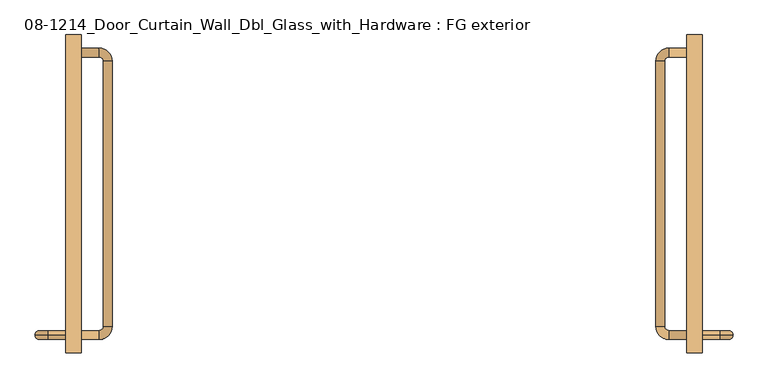
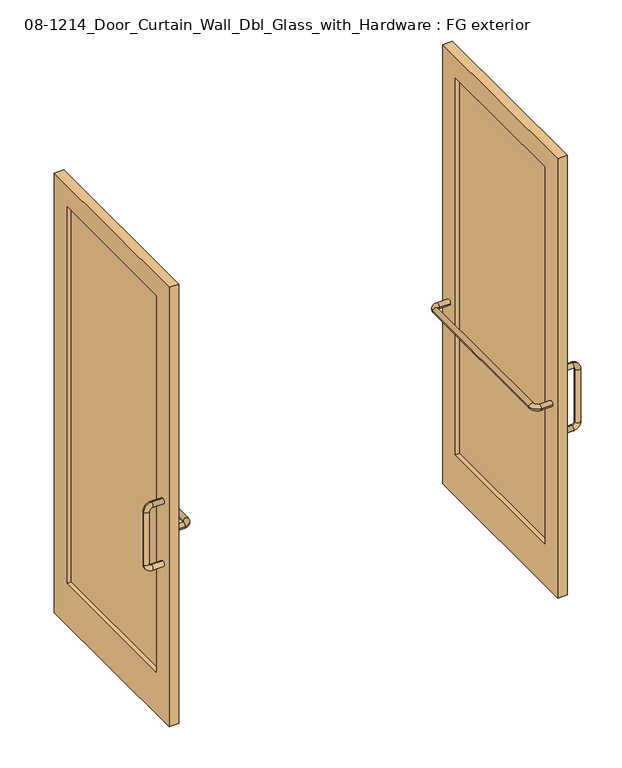
"""IFC4 building model written with IfcOpenShell, lengths in millimetres: door geometry, 08-1214_Door_Curtain_Wall_Dbl_Glass_with_Hardware : FG exterior."""

from ifc_helpers import new_model, si_unit, point, frame, origin, place, context, project, spatial, polyline, circle_curve, ellipse_curve, trimmed, outline, extrude, source, transform, mapped, element, save
from ifc_brep_helpers import plane_surface, cylinder_surface, revolved_surface, advanced_brep


def door_08_1214_door_curtain_wall_dbl_glass_with_hardware_fg_bb66773b(model_context):
    return source(origin(), model_context, "Body", "SolidModel", [
        advanced_brep(
        [(914.4, -927.1, 749.3), (914.4, -927.1, 774.7), (965.2, -927.1, 774.7), (965.2, -927.1, 749.3), (977.9, -927.1, 787.4), (977.9, -927.1, 1041.4), (1003.3, -927.1, 1041.4), (1003.3, -927.1, 787.4), (914.4, -927.1, 1079.5), (914.4, -927.1, 1054.1), (965.2, -927.1, 1054.1), (965.2, -927.1, 1079.5)],
        [
            (0, 1, circle_curve(frame((914.4, -927.1, 762.0), z_axis=(-1.0, 0.0, 0.0), x_axis=(0.0, 0.0, 1.0)), 12.7)),
            (1, 0, circle_curve(frame((914.4, -927.1, 762.0), z_axis=(-1.0, 0.0, 0.0), x_axis=(0.0, 0.0, 1.0)), 12.7)),
            (1, 2),
            (2, 3, circle_curve(frame((965.2, -927.1, 762.0), z_axis=(-1.0, 0.0, 0.0), x_axis=(0.0, 0.0, 1.0)), 12.7)),
            (3, 0),
            (3, 2, circle_curve(frame((965.2, -927.1, 762.0), z_axis=(-1.0, 0.0, 0.0), x_axis=(0.0, 0.0, 1.0)), 12.7)),
            (4, 5),
            (5, 6, circle_curve(frame((990.6, -927.1, 1041.4), z_axis=(0.0, 0.0, -1.0), x_axis=(-1.0, 0.0, 0.0)), 12.7)),
            (6, 7),
            (7, 4, circle_curve(frame((990.6, -927.1, 787.4), z_axis=(0.0, 0.0, 1.0), x_axis=(-1.0, 0.0, 0.0)), 12.7)),
            (6, 5, circle_curve(frame((990.6, -927.1, 1041.4), z_axis=(0.0, 0.0, -1.0), x_axis=(-1.0, 0.0, 0.0)), 12.7)),
            (4, 7, circle_curve(frame((990.6, -927.1, 787.4), z_axis=(0.0, 0.0, 1.0), x_axis=(-1.0, 0.0, 0.0)), 12.7)),
            (8, 9, circle_curve(frame((914.4, -927.1, 1066.8), z_axis=(-1.0, 0.0, 0.0), x_axis=(0.0, 0.0, -1.0)), 12.7)),
            (9, 8, circle_curve(frame((914.4, -927.1, 1066.8), z_axis=(-1.0, 0.0, 0.0), x_axis=(0.0, 0.0, -1.0)), 12.7)),
            (10, 9),
            (8, 11),
            (11, 10, circle_curve(frame((965.2, -927.1, 1066.8), z_axis=(-1.0, 0.0, 0.0), x_axis=(0.0, 0.0, -1.0)), 12.7)),
            (10, 11, circle_curve(frame((965.2, -927.1, 1066.8), z_axis=(-1.0, 0.0, 0.0), x_axis=(0.0, 0.0, -1.0)), 12.7)),
            (7, 3, circle_curve(frame((965.2, -927.1, 787.4), z_axis=(0.0, 1.0, 0.0), x_axis=(0.0, 0.0, -1.0)), 38.1)),
            (2, 4, circle_curve(frame((965.2, -927.1, 787.4), z_axis=(0.0, -1.0, 0.0), x_axis=(0.0, 0.0, -1.0)), 12.7)),
            (11, 6, circle_curve(frame((965.2, -927.1, 1041.4), z_axis=(0.0, 1.0, 0.0), x_axis=(1.0, 0.0, 0.0)), 38.1)),
            (5, 10, circle_curve(frame((965.2, -927.1, 1041.4), z_axis=(0.0, -1.0, 0.0), x_axis=(1.0, 0.0, 0.0)), 12.7)),
        ],
        [
            plane_surface(frame((914.4, -927.1, 762.0), z_axis=(-1.0, 0.0, 0.0), x_axis=(0.0, 1.0, 0.0))),
            cylinder_surface(frame((914.4, -927.1, 762.0), z_axis=(-1.0, 0.0, 0.0), x_axis=(0.0, 0.0, 1.0)), 12.7),
            cylinder_surface(frame((990.6, -927.1, 787.4), z_axis=(0.0, 0.0, -1.0), x_axis=(-1.0, 0.0, 0.0)), 12.7),
            plane_surface(frame((914.4, -927.1, 1066.8), z_axis=(-1.0, 0.0, 0.0), x_axis=(0.0, 1.0, 0.0))),
            cylinder_surface(frame((965.2, -927.1, 1066.8), z_axis=(1.0, 0.0, 0.0), x_axis=(0.0, 0.0, -1.0)), 12.7),
            revolved_surface(trimmed(ellipse_curve(frame((965.2, -927.1, 762.0), z_axis=(1.0, 0.0, 0.0), x_axis=(0.0, 0.0, 1.0)), 12.7, 12.7), [point((965.2, -927.1, 749.3))], [point((965.2, -927.1, 774.7))], True, "CARTESIAN"), (965.2, -927.1, 787.4), (0.0, 1.0, 0.0)),
            revolved_surface(trimmed(ellipse_curve(frame((965.2, -927.1, 762.0), z_axis=(1.0, 0.0, 0.0), x_axis=(0.0, 0.0, 1.0)), 12.7, 12.7), [point((965.2, -927.1, 774.7))], [point((965.2, -927.1, 749.3))], True, "CARTESIAN"), (965.2, -927.1, 787.4), (0.0, 1.0, 0.0)),
            revolved_surface(trimmed(ellipse_curve(frame((990.6, -927.1, 1041.4), z_axis=(0.0, 0.0, 1.0), x_axis=(-1.0, 0.0, 0.0)), 12.7, 12.7), [point((1003.3, -927.1, 1041.4))], [point((977.9, -927.1, 1041.4))], True, "CARTESIAN"), (965.2, -927.1, 1041.4), (0.0, 1.0, 0.0)),
            revolved_surface(trimmed(ellipse_curve(frame((990.6, -927.1, 1041.4), z_axis=(0.0, 0.0, 1.0), x_axis=(-1.0, 0.0, 0.0)), 12.7, 12.7), [point((977.9, -927.1, 1041.4))], [point((1003.3, -927.1, 1041.4))], True, "CARTESIAN"), (965.2, -927.1, 1041.4), (0.0, 1.0, 0.0)),
        ],
        [
            (0, [[1, 2]]),
            (1, [[3, 4, 5, -2]]),
            (1, [[-5, 6, -3, -1]]),
            (2, [[7, 8, 9, 10]]),
            (2, [[-9, 11, -7, 12]]),
            (3, [[13, 14]]),
            (4, [[15, -13, 16, 17]]),
            (4, [[-16, -14, -15, 18]]),
            (5, [[-10, 19, -4, 20]]),
            (6, [[-12, -20, -6, -19]]),
            (7, [[-17, 21, -8, 22]]),
            (8, [[-18, -22, -11, -21]]),
        ],
    ),
        advanced_brep(
        [(869.95, -101.6, 914.4), (869.95, -127.0, 914.4), (819.15, -127.0, 914.4), (819.15, -101.6, 914.4), (806.45, -139.7, 914.4), (806.45, -901.7, 914.4), (781.05, -901.7, 914.4), (781.05, -139.7, 914.4), (869.95, -939.8, 914.4), (869.95, -914.4, 914.4), (819.15, -914.4, 914.4), (819.15, -939.8, 914.4)],
        [
            (0, 1, circle_curve(frame((869.95, -114.3, 914.4), z_axis=(1.0, 0.0, 0.0), x_axis=(0.0, -1.0, 0.0)), 12.7)),
            (1, 0, circle_curve(frame((869.95, -114.3, 914.4), z_axis=(1.0, 0.0, 0.0), x_axis=(0.0, -1.0, 0.0)), 12.7)),
            (1, 2),
            (2, 3, circle_curve(frame((819.15, -114.3, 914.4), z_axis=(1.0, 0.0, 0.0), x_axis=(0.0, -1.0, 0.0)), 12.7)),
            (3, 0),
            (3, 2, circle_curve(frame((819.15, -114.3, 914.4), z_axis=(1.0, 0.0, 0.0), x_axis=(0.0, -1.0, 0.0)), 12.7)),
            (4, 5),
            (5, 6, circle_curve(frame((793.75, -901.7, 914.4), z_axis=(0.0, 1.0, 0.0), x_axis=(1.0, 0.0, 0.0)), 12.7)),
            (6, 7),
            (7, 4, circle_curve(frame((793.75, -139.7, 914.4), z_axis=(0.0, -1.0, 0.0), x_axis=(1.0, 0.0, 0.0)), 12.7)),
            (6, 5, circle_curve(frame((793.75, -901.7, 914.4), z_axis=(0.0, 1.0, 0.0), x_axis=(1.0, 0.0, 0.0)), 12.7)),
            (4, 7, circle_curve(frame((793.75, -139.7, 914.4), z_axis=(0.0, -1.0, 0.0), x_axis=(1.0, 0.0, 0.0)), 12.7)),
            (8, 9, circle_curve(frame((869.95, -927.1, 914.4), z_axis=(1.0, 0.0, 0.0), x_axis=(0.0, 1.0, 0.0)), 12.7)),
            (9, 8, circle_curve(frame((869.95, -927.1, 914.4), z_axis=(1.0, 0.0, 0.0), x_axis=(0.0, 1.0, 0.0)), 12.7)),
            (10, 9),
            (8, 11),
            (11, 10, circle_curve(frame((819.15, -927.1, 914.4), z_axis=(1.0, 0.0, 0.0), x_axis=(0.0, 1.0, 0.0)), 12.7)),
            (10, 11, circle_curve(frame((819.15, -927.1, 914.4), z_axis=(1.0, 0.0, 0.0), x_axis=(0.0, 1.0, 0.0)), 12.7)),
            (7, 3, circle_curve(frame((819.15, -139.7, 914.4), z_axis=(0.0, 0.0, -1.0), x_axis=(0.0, 1.0, 0.0)), 38.1)),
            (2, 4, circle_curve(frame((819.15, -139.7, 914.4), z_axis=(0.0, 0.0, 1.0), x_axis=(0.0, 1.0, 0.0)), 12.7)),
            (11, 6, circle_curve(frame((819.15, -901.7, 914.4), z_axis=(0.0, 0.0, -1.0), x_axis=(-1.0, 0.0, 0.0)), 38.1)),
            (5, 10, circle_curve(frame((819.15, -901.7, 914.4), z_axis=(0.0, 0.0, 1.0), x_axis=(-1.0, 0.0, 0.0)), 12.7)),
        ],
        [
            plane_surface(frame((869.95, -114.3, 914.4), z_axis=(1.0, 0.0, 0.0), x_axis=(0.0, 0.0, -1.0))),
            cylinder_surface(frame((869.95, -114.3, 914.4), z_axis=(1.0, 0.0, 0.0), x_axis=(0.0, -1.0, 0.0)), 12.7),
            cylinder_surface(frame((793.75, -139.7, 914.4), z_axis=(0.0, 1.0, 0.0), x_axis=(1.0, 0.0, 0.0)), 12.7),
            plane_surface(frame((869.95, -927.1, 914.4), z_axis=(1.0, 0.0, 0.0), x_axis=(0.0, 0.0, -1.0))),
            cylinder_surface(frame((819.15, -927.1, 914.4), z_axis=(-1.0, 0.0, 0.0), x_axis=(0.0, 1.0, 0.0)), 12.7),
            revolved_surface(trimmed(ellipse_curve(frame((819.15, -114.3, 914.4), z_axis=(-1.0, 0.0, 0.0), x_axis=(0.0, -1.0, 0.0)), 12.7, 12.7), [point((819.15, -101.6, 914.4))], [point((819.15, -127.0, 914.4))], True, "CARTESIAN"), (819.15, -139.7, 914.4), (0.0, 0.0, -1.0)),
            revolved_surface(trimmed(ellipse_curve(frame((819.15, -114.3, 914.4), z_axis=(-1.0, 0.0, 0.0), x_axis=(0.0, -1.0, 0.0)), 12.7, 12.7), [point((819.15, -127.0, 914.4))], [point((819.15, -101.6, 914.4))], True, "CARTESIAN"), (819.15, -139.7, 914.4), (0.0, 0.0, -1.0)),
            revolved_surface(trimmed(ellipse_curve(frame((793.75, -901.7, 914.4), z_axis=(0.0, -1.0, 0.0), x_axis=(1.0, 0.0, 0.0)), 12.7, 12.7), [point((781.05, -901.7, 914.4))], [point((806.45, -901.7, 914.4))], True, "CARTESIAN"), (819.15, -901.7, 914.4), (0.0, 0.0, -1.0)),
            revolved_surface(trimmed(ellipse_curve(frame((793.75, -901.7, 914.4), z_axis=(0.0, -1.0, 0.0), x_axis=(1.0, 0.0, 0.0)), 12.7, 12.7), [point((806.45, -901.7, 914.4))], [point((781.05, -901.7, 914.4))], True, "CARTESIAN"), (819.15, -901.7, 914.4), (0.0, 0.0, -1.0)),
        ],
        [
            (0, [[1, 2]]),
            (1, [[3, 4, 5, -2]]),
            (1, [[-5, 6, -3, -1]]),
            (2, [[7, 8, 9, 10]]),
            (2, [[-9, 11, -7, 12]]),
            (3, [[13, 14]]),
            (4, [[15, -13, 16, 17]]),
            (4, [[-16, -14, -15, 18]]),
            (5, [[-10, 19, -4, 20]]),
            (6, [[-12, -20, -6, -19]]),
            (7, [[-17, 21, -8, 22]]),
            (8, [[-18, -22, -11, -21]]),
        ],
    ),
        extrude(outline(polyline([(895.35, -876.3), (889.0, -876.3), (889.0, -165.1), (895.35, -165.1), (895.35, -876.3)])), frame((0.0, 0.0, 203.2), z_axis=(0.0, 0.0, 1.0), x_axis=(1.0, 0.0, 0.0)), (0.0, 0.0, 1.0), 1828.8),
        extrude(outline(polyline([(-63.5, 2133.6), (-63.5, 0.0), (-977.9, 0.0), (-977.9, 2133.6), (-63.5, 2133.6)]), holes=[polyline([(-165.1, 2032.0), (-876.3, 2032.0), (-876.3, 203.2), (-165.1, 203.2), (-165.1, 2032.0)])]), frame((869.95, 0.0, 0.0), z_axis=(1.0, 0.0, 0.0), x_axis=(0.0, 1.0, 0.0)), (0.0, 0.0, 1.0), 44.45),
        advanced_brep(
        [(-914.4, -927.1, 749.3), (-914.4, -927.1, 774.7), (-965.2, -927.1, 749.3), (-965.2, -927.1, 774.7), (-977.9, -927.1, 787.4), (-1003.3, -927.1, 787.4), (-1003.3, -927.1, 1041.4), (-977.9, -927.1, 1041.4), (-914.4, -927.1, 1079.5), (-914.4, -927.1, 1054.1), (-965.2, -927.1, 1054.1), (-965.2, -927.1, 1079.5)],
        [
            (0, 1, circle_curve(frame((-914.4, -927.1, 762.0), z_axis=(1.0, 0.0, 0.0), x_axis=(0.0, 0.0, 1.0)), 12.7)),
            (1, 0, circle_curve(frame((-914.4, -927.1, 762.0), z_axis=(1.0, 0.0, 0.0), x_axis=(0.0, 0.0, 1.0)), 12.7)),
            (0, 2),
            (2, 3, circle_curve(frame((-965.2, -927.1, 762.0), z_axis=(1.0, 0.0, 0.0), x_axis=(0.0, 0.0, 1.0)), 12.7)),
            (3, 1),
            (3, 2, circle_curve(frame((-965.2, -927.1, 762.0), z_axis=(1.0, 0.0, 0.0), x_axis=(0.0, 0.0, 1.0)), 12.7)),
            (4, 5, circle_curve(frame((-990.6, -927.1, 787.4), z_axis=(0.0, 0.0, 1.0), x_axis=(1.0, 0.0, 0.0)), 12.7)),
            (5, 6),
            (6, 7, circle_curve(frame((-990.6, -927.1, 1041.4), z_axis=(0.0, 0.0, -1.0), x_axis=(1.0, 0.0, 0.0)), 12.7)),
            (7, 4),
            (5, 4, circle_curve(frame((-990.6, -927.1, 787.4), z_axis=(0.0, 0.0, 1.0), x_axis=(1.0, 0.0, 0.0)), 12.7)),
            (7, 6, circle_curve(frame((-990.6, -927.1, 1041.4), z_axis=(0.0, 0.0, -1.0), x_axis=(1.0, 0.0, 0.0)), 12.7)),
            (8, 9, circle_curve(frame((-914.4, -927.1, 1066.8), z_axis=(1.0, 0.0, 0.0), x_axis=(0.0, 0.0, -1.0)), 12.7)),
            (9, 8, circle_curve(frame((-914.4, -927.1, 1066.8), z_axis=(1.0, 0.0, 0.0), x_axis=(0.0, 0.0, -1.0)), 12.7)),
            (10, 11, circle_curve(frame((-965.2, -927.1, 1066.8), z_axis=(1.0, 0.0, 0.0), x_axis=(0.0, 0.0, -1.0)), 12.7)),
            (11, 8),
            (9, 10),
            (11, 10, circle_curve(frame((-965.2, -927.1, 1066.8), z_axis=(1.0, 0.0, 0.0), x_axis=(0.0, 0.0, -1.0)), 12.7)),
            (4, 3, circle_curve(frame((-965.2, -927.1, 787.4), z_axis=(0.0, -1.0, 0.0), x_axis=(0.0, 0.0, -1.0)), 12.7)),
            (2, 5, circle_curve(frame((-965.2, -927.1, 787.4), z_axis=(0.0, 1.0, 0.0), x_axis=(0.0, 0.0, -1.0)), 38.1)),
            (10, 7, circle_curve(frame((-965.2, -927.1, 1041.4), z_axis=(0.0, -1.0, 0.0), x_axis=(-1.0, 0.0, 0.0)), 12.7)),
            (6, 11, circle_curve(frame((-965.2, -927.1, 1041.4), z_axis=(0.0, 1.0, 0.0), x_axis=(-1.0, 0.0, 0.0)), 38.1)),
        ],
        [
            plane_surface(frame((-914.4, -927.1, 762.0), z_axis=(1.0, 0.0, 0.0), x_axis=(0.0, 1.0, 0.0))),
            cylinder_surface(frame((-914.4, -927.1, 762.0), z_axis=(1.0, 0.0, 0.0), x_axis=(0.0, 0.0, 1.0)), 12.7),
            cylinder_surface(frame((-990.6, -927.1, 787.4), z_axis=(0.0, 0.0, -1.0), x_axis=(1.0, 0.0, 0.0)), 12.7),
            plane_surface(frame((-914.4, -927.1, 1066.8), z_axis=(1.0, 0.0, 0.0), x_axis=(0.0, 1.0, 0.0))),
            cylinder_surface(frame((-965.2, -927.1, 1066.8), z_axis=(-1.0, 0.0, 0.0), x_axis=(0.0, 0.0, -1.0)), 12.7),
            revolved_surface(trimmed(ellipse_curve(frame((-965.2, -927.1, 762.0), z_axis=(1.0, 0.0, 0.0), x_axis=(0.0, 0.0, 1.0)), 12.7, 12.7), [point((-965.2, -927.1, 749.3))], [point((-965.2, -927.1, 774.7))], True, "CARTESIAN"), (-965.2, -927.1, 787.4), (0.0, 1.0, 0.0)),
            revolved_surface(trimmed(ellipse_curve(frame((-965.2, -927.1, 762.0), z_axis=(1.0, 0.0, 0.0), x_axis=(0.0, 0.0, 1.0)), 12.7, 12.7), [point((-965.2, -927.1, 774.7))], [point((-965.2, -927.1, 749.3))], True, "CARTESIAN"), (-965.2, -927.1, 787.4), (0.0, 1.0, 0.0)),
            revolved_surface(trimmed(ellipse_curve(frame((-990.6, -927.1, 1041.4), z_axis=(0.0, 0.0, -1.0), x_axis=(1.0, 0.0, 0.0)), 12.7, 12.7), [point((-1003.3, -927.1, 1041.4))], [point((-977.9, -927.1, 1041.4))], True, "CARTESIAN"), (-965.2, -927.1, 1041.4), (0.0, 1.0, 0.0)),
            revolved_surface(trimmed(ellipse_curve(frame((-990.6, -927.1, 1041.4), z_axis=(0.0, 0.0, -1.0), x_axis=(1.0, 0.0, 0.0)), 12.7, 12.7), [point((-977.9, -927.1, 1041.4))], [point((-1003.3, -927.1, 1041.4))], True, "CARTESIAN"), (-965.2, -927.1, 1041.4), (0.0, 1.0, 0.0)),
        ],
        [
            (0, [[1, 2]]),
            (1, [[-1, 3, 4, 5]]),
            (1, [[-2, -5, 6, -3]]),
            (2, [[7, 8, 9, 10]]),
            (2, [[11, -10, 12, -8]]),
            (3, [[13, 14]]),
            (4, [[15, 16, -14, 17]]),
            (4, [[18, -17, -13, -16]]),
            (5, [[19, -4, 20, -7]]),
            (6, [[-20, -6, -19, -11]]),
            (7, [[21, -9, 22, -15]]),
            (8, [[-22, -12, -21, -18]]),
        ],
    ),
        advanced_brep(
        [(-869.95, -101.6, 914.4), (-869.95, -127.0, 914.4), (-819.15, -101.6, 914.4), (-819.15, -127.0, 914.4), (-806.45, -139.7, 914.4), (-781.05, -139.7, 914.4), (-781.05, -901.7, 914.4), (-806.45, -901.7, 914.4), (-869.95, -939.8, 914.4), (-869.95, -914.4, 914.4), (-819.15, -914.4, 914.4), (-819.15, -939.8, 914.4)],
        [
            (0, 1, circle_curve(frame((-869.95, -114.3, 914.4), z_axis=(-1.0, 0.0, 0.0), x_axis=(0.0, -1.0, 0.0)), 12.7)),
            (1, 0, circle_curve(frame((-869.95, -114.3, 914.4), z_axis=(-1.0, 0.0, 0.0), x_axis=(0.0, -1.0, 0.0)), 12.7)),
            (0, 2),
            (2, 3, circle_curve(frame((-819.15, -114.3, 914.4), z_axis=(-1.0, 0.0, 0.0), x_axis=(0.0, -1.0, 0.0)), 12.7)),
            (3, 1),
            (3, 2, circle_curve(frame((-819.15, -114.3, 914.4), z_axis=(-1.0, 0.0, 0.0), x_axis=(0.0, -1.0, 0.0)), 12.7)),
            (4, 5, circle_curve(frame((-793.75, -139.7, 914.4), z_axis=(0.0, -1.0, 0.0), x_axis=(-1.0, 0.0, 0.0)), 12.7)),
            (5, 6),
            (6, 7, circle_curve(frame((-793.75, -901.7, 914.4), z_axis=(0.0, 1.0, 0.0), x_axis=(-1.0, 0.0, 0.0)), 12.7)),
            (7, 4),
            (5, 4, circle_curve(frame((-793.75, -139.7, 914.4), z_axis=(0.0, -1.0, 0.0), x_axis=(-1.0, 0.0, 0.0)), 12.7)),
            (7, 6, circle_curve(frame((-793.75, -901.7, 914.4), z_axis=(0.0, 1.0, 0.0), x_axis=(-1.0, 0.0, 0.0)), 12.7)),
            (8, 9, circle_curve(frame((-869.95, -927.1, 914.4), z_axis=(-1.0, 0.0, 0.0), x_axis=(0.0, 1.0, 0.0)), 12.7)),
            (9, 8, circle_curve(frame((-869.95, -927.1, 914.4), z_axis=(-1.0, 0.0, 0.0), x_axis=(0.0, 1.0, 0.0)), 12.7)),
            (10, 11, circle_curve(frame((-819.15, -927.1, 914.4), z_axis=(-1.0, 0.0, 0.0), x_axis=(0.0, 1.0, 0.0)), 12.7)),
            (11, 8),
            (9, 10),
            (11, 10, circle_curve(frame((-819.15, -927.1, 914.4), z_axis=(-1.0, 0.0, 0.0), x_axis=(0.0, 1.0, 0.0)), 12.7)),
            (4, 3, circle_curve(frame((-819.15, -139.7, 914.4), z_axis=(0.0, 0.0, 1.0), x_axis=(0.0, 1.0, 0.0)), 12.7)),
            (2, 5, circle_curve(frame((-819.15, -139.7, 914.4), z_axis=(0.0, 0.0, -1.0), x_axis=(0.0, 1.0, 0.0)), 38.1)),
            (10, 7, circle_curve(frame((-819.15, -901.7, 914.4), z_axis=(0.0, 0.0, 1.0), x_axis=(1.0, 0.0, 0.0)), 12.7)),
            (6, 11, circle_curve(frame((-819.15, -901.7, 914.4), z_axis=(0.0, 0.0, -1.0), x_axis=(1.0, 0.0, 0.0)), 38.1)),
        ],
        [
            plane_surface(frame((-869.95, -114.3, 914.4), z_axis=(-1.0, 0.0, 0.0), x_axis=(0.0, 0.0, -1.0))),
            cylinder_surface(frame((-869.95, -114.3, 914.4), z_axis=(-1.0, 0.0, 0.0), x_axis=(0.0, -1.0, 0.0)), 12.7),
            cylinder_surface(frame((-793.75, -139.7, 914.4), z_axis=(0.0, 1.0, 0.0), x_axis=(-1.0, 0.0, 0.0)), 12.7),
            plane_surface(frame((-869.95, -927.1, 914.4), z_axis=(-1.0, 0.0, 0.0), x_axis=(0.0, 0.0, -1.0))),
            cylinder_surface(frame((-819.15, -927.1, 914.4), z_axis=(1.0, 0.0, 0.0), x_axis=(0.0, 1.0, 0.0)), 12.7),
            revolved_surface(trimmed(ellipse_curve(frame((-819.15, -114.3, 914.4), z_axis=(-1.0, 0.0, 0.0), x_axis=(0.0, -1.0, 0.0)), 12.7, 12.7), [point((-819.15, -101.6, 914.4))], [point((-819.15, -127.0, 914.4))], True, "CARTESIAN"), (-819.15, -139.7, 914.4), (0.0, 0.0, -1.0)),
            revolved_surface(trimmed(ellipse_curve(frame((-819.15, -114.3, 914.4), z_axis=(-1.0, 0.0, 0.0), x_axis=(0.0, -1.0, 0.0)), 12.7, 12.7), [point((-819.15, -127.0, 914.4))], [point((-819.15, -101.6, 914.4))], True, "CARTESIAN"), (-819.15, -139.7, 914.4), (0.0, 0.0, -1.0)),
            revolved_surface(trimmed(ellipse_curve(frame((-793.75, -901.7, 914.4), z_axis=(0.0, 1.0, 0.0), x_axis=(-1.0, 0.0, 0.0)), 12.7, 12.7), [point((-781.05, -901.7, 914.4))], [point((-806.45, -901.7, 914.4))], True, "CARTESIAN"), (-819.15, -901.7, 914.4), (0.0, 0.0, -1.0)),
            revolved_surface(trimmed(ellipse_curve(frame((-793.75, -901.7, 914.4), z_axis=(0.0, 1.0, 0.0), x_axis=(-1.0, 0.0, 0.0)), 12.7, 12.7), [point((-806.45, -901.7, 914.4))], [point((-781.05, -901.7, 914.4))], True, "CARTESIAN"), (-819.15, -901.7, 914.4), (0.0, 0.0, -1.0)),
        ],
        [
            (0, [[1, 2]]),
            (1, [[-1, 3, 4, 5]]),
            (1, [[-2, -5, 6, -3]]),
            (2, [[7, 8, 9, 10]]),
            (2, [[11, -10, 12, -8]]),
            (3, [[13, 14]]),
            (4, [[15, 16, -14, 17]]),
            (4, [[18, -17, -13, -16]]),
            (5, [[19, -4, 20, -7]]),
            (6, [[-20, -6, -19, -11]]),
            (7, [[21, -9, 22, -15]]),
            (8, [[-22, -12, -21, -18]]),
        ],
    ),
        extrude(outline(polyline([(-895.35, -876.3), (-895.35, -165.1), (-889.0, -165.1), (-889.0, -876.3), (-895.35, -876.3)])), frame((0.0, 0.0, 203.2), z_axis=(0.0, 0.0, 1.0), x_axis=(1.0, 0.0, 0.0)), (0.0, 0.0, 1.0), 1828.8),
        extrude(outline(polyline([(-977.9, 2133.6), (-63.5, 2133.6), (-63.5, 0.0), (-977.9, 0.0), (-977.9, 2133.6)]), holes=[polyline([(-165.1, 203.2), (-165.1, 2032.0), (-876.3, 2032.0), (-876.3, 203.2), (-165.1, 203.2)])]), frame((-914.4, 0.0, 0.0), z_axis=(1.0, 0.0, 0.0), x_axis=(0.0, 1.0, 0.0)), (0.0, 0.0, 1.0), 44.45),
    ])


if __name__ == "__main__":
    model = new_model("IFC4")
    model_context = context("Model", 3, world=origin())
    ifc_project = project(units=[si_unit("LENGTHUNIT", "METRE", prefix="MILLI")], contexts=[model_context])
    site = spatial("IfcSite", under=ifc_project)
    building = spatial("IfcBuilding", under=site)
    placement = place(None, origin())
    door_08_1214_door_curtain_wall_dbl_glass_with_hardware_fg_shape = door_08_1214_door_curtain_wall_dbl_glass_with_hardware_fg_bb66773b(model_context)
    element("IfcDoor", 1, ObjectType="08-1214_Door_Curtain_Wall_Dbl_Glass_with_Hardware : FG exterior", at=placement, inside=building, context=model_context, shape_type="MappedRepresentation", body=[
        mapped(door_08_1214_door_curtain_wall_dbl_glass_with_hardware_fg_shape, transform((0.0, 0.0, 0.0), x_axis=(1.0, 0.0, 0.0), y_axis=(0.0, 1.0, 0.0), z_axis=(0.0, 0.0, 1.0))),
    ])
    save(model, "model.ifc")
